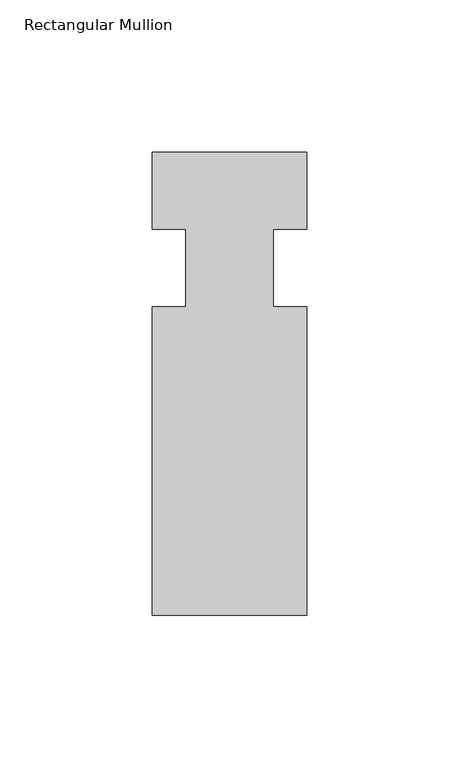
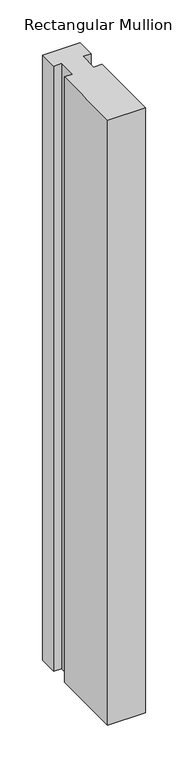
"""IFC4 building model written with IfcOpenShell, lengths in millimetres: member geometry, Rectangular Mullion."""

import ifcopenshell
import ifcopenshell.guid

model = None  # the IFC model being written
_history = None  # IfcOwnerHistory: only IFC2X3 demands one
_inside = {}  # id of a spatial element -> (the spatial element, [elements in it])
_under = {}  # id of a project, library or spatial element -> (it, [spatial elements below it])
_declared = {}  # id of a project -> (the project, [libraries it declares])
_typed = {}  # id of a type object -> (the type object, [elements of that type])
_made_of = {}  # id of a material, layer set ... -> (it, [elements and type objects made of it])


def new_model(schema):
    """Start an empty IFC model of exactly this schema.

    Asked for "IFC4X3", IfcOpenShell would pick the latest addendum, in which some entities
    have other attributes; the version numbers below select the first issue.
    IFC2X3 requires an IfcOwnerHistory on every rooted entity: one is made here for all.
    """
    global model, _history
    if schema == "IFC4X3":
        model = ifcopenshell.file(schema_version=(4, 3, 0, 0))
    else:
        model = ifcopenshell.file(schema=schema)
    _inside.clear()
    _under.clear()
    _declared.clear()
    _typed.clear()
    _made_of.clear()
    _history = None
    if model.schema == "IFC2X3":
        org = make("IfcOrganization", Name="unknown")
        user = make(
            "IfcPersonAndOrganization",
            ThePerson=make("IfcPerson", FamilyName="unknown"),
            TheOrganization=org,
        )
        app = make(
            "IfcApplication",
            ApplicationDeveloper=org,
            Version="unknown",
            ApplicationFullName="unknown",
            ApplicationIdentifier="unknown",
        )
        _history = make(
            "IfcOwnerHistory",
            OwningUser=user,
            OwningApplication=app,
            ChangeAction="ADDED",
            CreationDate=0,
        )
    return model


def make(cls, **values):
    """One entity of the class cls with the attributes given. An attribute that is None is left unset."""
    return model.create_entity(
        cls, **{name: value for name, value in values.items() if value is not None}
    )


def rooted(cls, **values):
    """An entity with a GlobalId (a new one), such as an element, a storey or a relation."""
    return make(cls, GlobalId=ifcopenshell.guid.new(), OwnerHistory=_history, **values)


def si_unit(unit_type, name, prefix=None):
    """IfcSIUnit, for example si_unit("LENGTHUNIT", "METRE", prefix="MILLI")."""
    return make("IfcSIUnit", UnitType=unit_type, Prefix=prefix, Name=name)


def assignment(units):
    """IfcUnitAssignment: the units of a project."""
    return None if units is None else make("IfcUnitAssignment", Units=units)


def point(xyz):
    """IfcCartesianPoint."""
    return None if xyz is None else make("IfcCartesianPoint", Coordinates=xyz)


def direction(xyz):
    """IfcDirection."""
    return None if xyz is None else make("IfcDirection", DirectionRatios=xyz)


def frame(location, z_axis=None, x_axis=None):
    """IfcAxis2Placement3D, a coordinate frame: its origin and axes. An axis left out is left unset."""
    return make(
        "IfcAxis2Placement3D",
        Location=point(location),
        Axis=direction(z_axis),
        RefDirection=direction(x_axis),
    )


def origin():
    """The frame at (0, 0, 0) with its axes left unset."""
    return frame((0.0, 0.0, 0.0))


def place(relative_to, where):
    """IfcLocalPlacement: puts the frame where relative to a parent placement (None: the world)."""
    return make(
        "IfcLocalPlacement", PlacementRelTo=relative_to, RelativePlacement=where
    )


def context(
    kind, dimensions, precision=None, world=None, true_north=None, identifier=None
):
    """IfcGeometricRepresentationContext, for example the 3D "Model" context."""
    return make(
        "IfcGeometricRepresentationContext",
        ContextIdentifier=identifier,
        ContextType=kind,
        CoordinateSpaceDimension=dimensions,
        Precision=precision,
        WorldCoordinateSystem=world,
        TrueNorth=true_north,
    )


def project(units=None, contexts=None):
    """IfcProject with its units and contexts."""
    return rooted(
        "IfcProject",
        Name="project",
        RepresentationContexts=contexts,
        UnitsInContext=assignment(units),
    )


def spatial(cls, under=None, at=None, **own):
    """A site, building, storey or space (cls), placed at a placement, below another one or the project."""
    s = rooted(cls, ObjectPlacement=at, **own)
    if under is not None:
        _under.setdefault(under.id(), (under, []))[1].append(s)
    return s


def polyline(points):
    """IfcPolyline through the points."""
    return make("IfcPolyline", Points=[point(p) for p in points])


def outline(outer, holes=None, kind="AREA"):
    """IfcArbitraryClosedProfileDef: a profile drawn as a closed curve; with holes, ...WithVoids."""
    if holes is None:
        return make("IfcArbitraryClosedProfileDef", ProfileType=kind, OuterCurve=outer)
    return make(
        "IfcArbitraryProfileDefWithVoids",
        ProfileType=kind,
        OuterCurve=outer,
        InnerCurves=holes,
    )


def extrude(swept, where, along, depth):
    """IfcExtrudedAreaSolid: the profile swept, set in the frame where, extruded along a direction by depth."""
    return make(
        "IfcExtrudedAreaSolid",
        SweptArea=swept,
        Position=where,
        ExtrudedDirection=direction(along),
        Depth=depth,
    )


def shape(context_of_items, identifier, shape_type, items):
    """IfcShapeRepresentation: the items that make up one representation, for example the "Body"."""
    return make(
        "IfcShapeRepresentation",
        ContextOfItems=context_of_items,
        RepresentationIdentifier=identifier,
        RepresentationType=shape_type,
        Items=items,
    )


def source(mapping_origin, context_of_items, identifier, shape_type, items):
    """IfcRepresentationMap: a shape defined once, which mapped items show again and again."""
    return make(
        "IfcRepresentationMap",
        MappingOrigin=mapping_origin,
        MappedRepresentation=shape(context_of_items, identifier, shape_type, items),
    )


def transform(
    local_origin,
    x_axis=None,
    y_axis=None,
    z_axis=None,
    scale=None,
    scale2=None,
    scale3=None,
    uniform=True,
):
    """IfcCartesianTransformationOperator3D, or its non-uniform kind. x_axis, y_axis, z_axis: its Axis1, 2, 3."""
    if uniform:
        return make(
            "IfcCartesianTransformationOperator3D",
            Axis1=direction(x_axis),
            Axis2=direction(y_axis),
            LocalOrigin=point(local_origin),
            Scale=scale,
            Axis3=direction(z_axis),
        )
    return make(
        "IfcCartesianTransformationOperator3DnonUniform",
        Axis1=direction(x_axis),
        Axis2=direction(y_axis),
        LocalOrigin=point(local_origin),
        Scale=scale,
        Axis3=direction(z_axis),
        Scale2=scale2,
        Scale3=scale3,
    )


def mapped(mapping_source, mapping_target):
    """IfcMappedItem: shows the shape of a source again, moved by a transform."""
    return make(
        "IfcMappedItem", MappingSource=mapping_source, MappingTarget=mapping_target
    )


def made_of(thing, what):
    """Note that an element or type object is made of a material, layer set ...; save() writes the relation."""
    if what is not None:
        _made_of.setdefault(what.id(), (what, []))[1].append(thing)
    return thing


def element(
    cls,
    number,
    at=None,
    inside=None,
    cuts=None,
    type_object=None,
    material=None,
    context=None,
    identifier="Body",
    shape_type=None,
    held_by="IfcProductDefinitionShape",
    body=None,
    shapes=None,
    **own,
):
    """One element of the class cls, such as IfcWall. Its Tag is "e" and its number.

    at: its placement. inside: the storey or other place that contains it. cuts: it is an
    opening in that element (IfcRelVoidsElement). A single representation is given by context,
    identifier, shape_type and body (its items); several are given by shapes. held_by: the class
    of the entity that holds the representations. save() writes the other relations.
    """
    e = rooted(cls, Tag="e%d" % number, ObjectPlacement=at, **own)
    if body is not None:
        shapes = [shape(context, identifier, shape_type, body)]
    if shapes is not None:
        e.Representation = make(held_by, Representations=shapes)
    if inside is not None:
        _inside.setdefault(inside.id(), (inside, []))[1].append(e)
    if cuts is not None:
        rooted(
            "IfcRelVoidsElement", RelatingBuildingElement=cuts, RelatedOpeningElement=e
        )
    if type_object is not None:
        _typed.setdefault(type_object.id(), (type_object, []))[1].append(e)
    return made_of(e, material)


def aggregate(whole, parts):
    """IfcRelAggregates: a whole, such as a stair, and the parts it consists of."""
    return rooted("IfcRelAggregates", RelatingObject=whole, RelatedObjects=parts)


def save(model, path):
    """Write the relations noted so far, then the file.

    IfcRelAggregates (storeys below a building ...), IfcRelContainedInSpatialStructure (elements
    in a storey), IfcRelDefinesByType, IfcRelAssociatesMaterial and IfcRelDeclares: one each for
    every whole, place, type object, material and project.
    """
    for whole, parts in _under.values():
        aggregate(whole, parts)
    for where, things in _inside.values():
        rooted(
            "IfcRelContainedInSpatialStructure",
            RelatedElements=things,
            RelatingStructure=where,
        )
    for kind, things in _typed.values():
        rooted("IfcRelDefinesByType", RelatedObjects=things, RelatingType=kind)
    for what, things in _made_of.values():
        rooted("IfcRelAssociatesMaterial", RelatedObjects=things, RelatingMaterial=what)
    for by, libraries in _declared.values():
        rooted("IfcRelDeclares", RelatingContext=by, RelatedDefinitions=libraries)
    model.write(path)


def rectangular_mullion_dadbcb60(model_context):
    return source(origin(), model_context, "Body", "SweptSolid", [
        extrude(outline(polyline([(-50.8, 0.0), (0.0, 0.0), (0.0, -25.4), (-11.001375, -25.4), (-11.001375, -50.8), (0.0, -50.8), (0.0, -152.4), (-50.8, -152.4), (-50.8, -50.8), (-39.798625, -50.8), (-39.798625, -25.4), (-50.8, -25.4), (-50.8, 0.0)])), frame((0.0, 0.0, -863.5998097), z_axis=(0.0, 0.0, 1.0), x_axis=(1.0, 0.0, 0.0)), (0.0, 0.0, 1.0), 863.5998097),
    ])


if __name__ == "__main__":
    model = new_model("IFC4")
    model_context = context("Model", 3, world=origin())
    ifc_project = project(units=[si_unit("LENGTHUNIT", "METRE", prefix="MILLI")], contexts=[model_context])
    site = spatial("IfcSite", under=ifc_project)
    building = spatial("IfcBuilding", under=site)
    placement = place(None, origin())
    rectangular_mullion_shape = rectangular_mullion_dadbcb60(model_context)
    element("IfcMember", 1, ObjectType="Rectangular Mullion", at=placement, inside=building, context=model_context, shape_type="MappedRepresentation", body=[
        mapped(rectangular_mullion_shape, transform((0.0, 0.0, 0.0), x_axis=(1.0, 0.0, 0.0), y_axis=(0.0, 1.0, 0.0), z_axis=(0.0, 0.0, 1.0))),
    ])
    save(model, "model.ifc")
